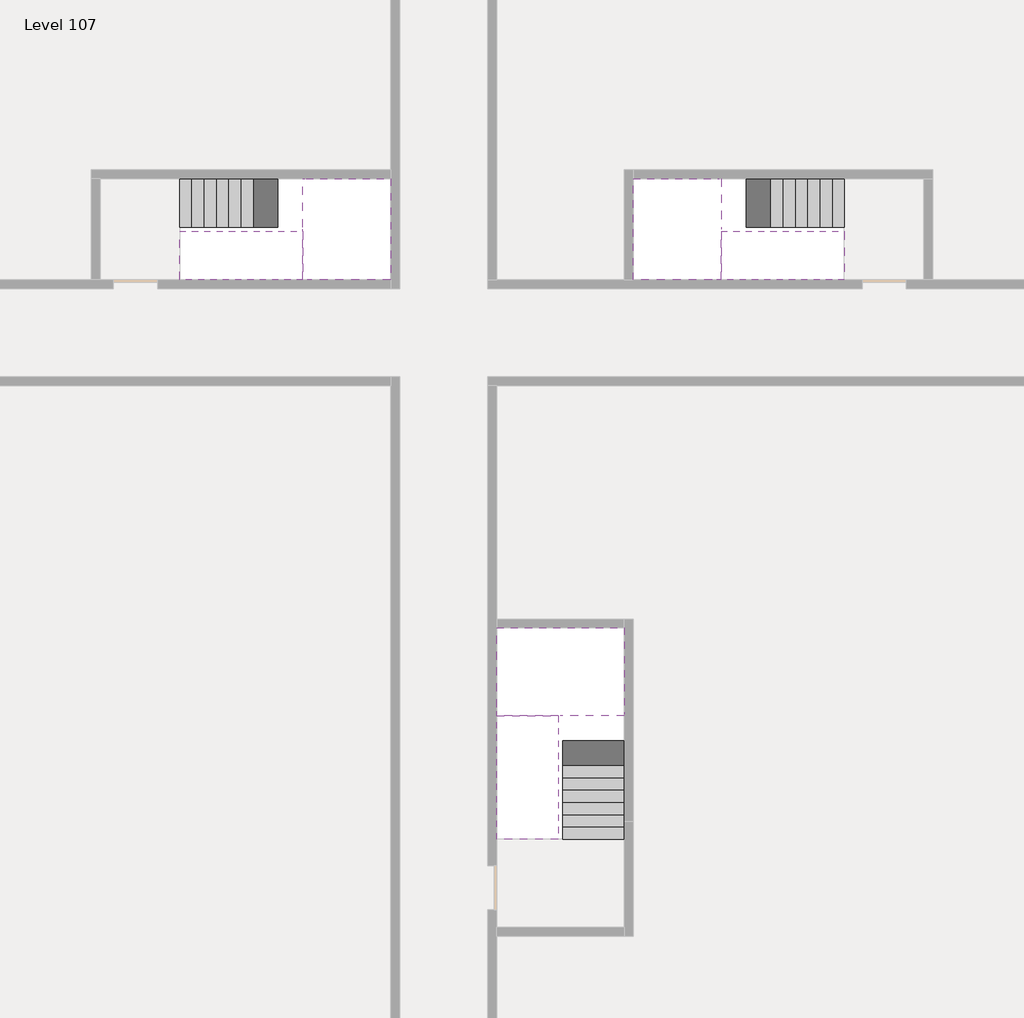
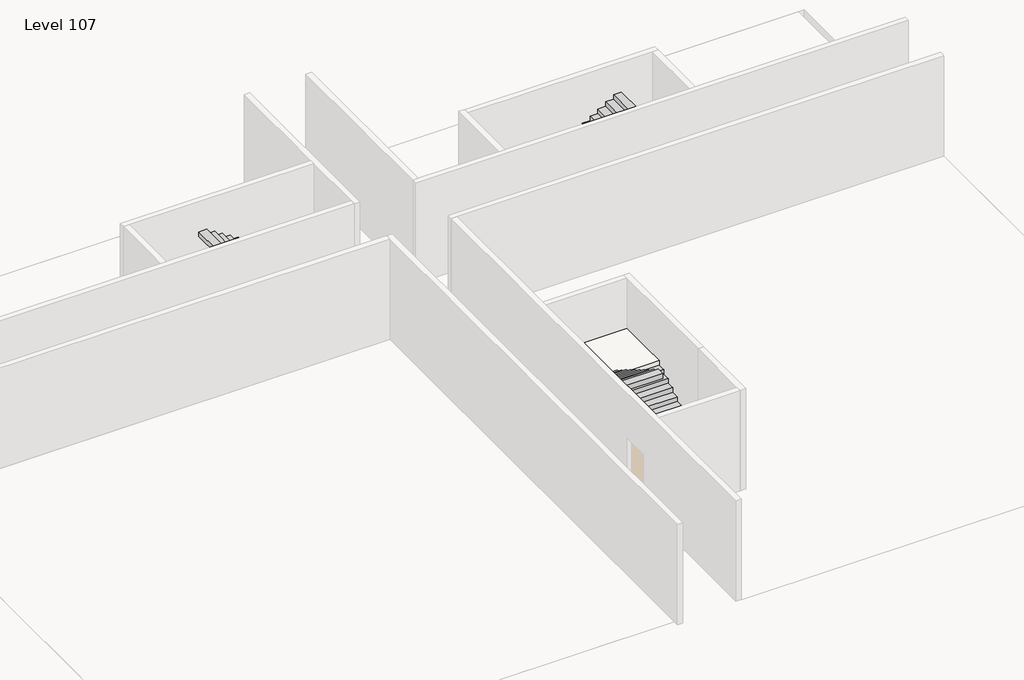
# One storey, part 2 of 2: 6 stair flights, 3 slabs.
"""IFC4 building model written with IfcOpenShell, lengths in millimetres."""

from ifc_helpers import new_model, si_unit, origin, place, context, project, spatial, faceted_brep, element, save

model = new_model("IFC4")

# Units and contexts
model_context = context("Model", 3, world=origin())
ifc_project = project(units=[si_unit("LENGTHUNIT", "METRE", prefix="MILLI")], contexts=[model_context])

# Site, building, storey
site = spatial("IfcSite", under=ifc_project)
building = spatial("IfcBuilding", under=site)
storey = spatial("IfcBuildingStorey", under=building, Name="Level 107", Elevation=402800.0)

# Slabs
placement = place(None, origin())
element("IfcSlab", 1, at=placement, inside=storey, context=model_context, shape_type="Brep", body=[
    faceted_brep([(26890.1058784, -40418.09644, 404700.0), (28290.1058784, -40418.09644, 404700.0), (28290.1058784, -40338.7100038, 404700.0), (28290.1058784, -38418.09644, 404700.0), (25390.1058784, -38418.09644, 404700.0), (25390.1058784, -40217.4828763, 404700.0), (25390.1058784, -40418.09644, 404700.0), (26790.1058784, -40418.09644, 404700.0), (26890.1058784, -40418.09644, 404400.0), (26890.1058784, -40418.09644, 404351.0278478), (28290.1058784, -40418.09644, 404351.0278478), (28290.1058784, -40418.09644, 404527.2727273), (28290.1058784, -40338.7100038, 404400.0), (28290.1058784, -38418.09644, 404400.0), (25390.1058784, -38418.09644, 404400.0), (25390.1058784, -40217.4828763, 404400.0), (25390.1058784, -40418.09644, 404523.7551205), (26790.1058784, -40418.09644, 404523.7551205), (26790.1058784, -40418.09644, 404400.0), (26790.1058784, -40217.4828763, 404400.0), (26890.1058784, -40338.7100038, 404400.0)], [[[0, 1, 2, 3, 4, 5, 6, 7]], [[1, 0, 8, 9, 10, 11]], [[1, 11, 10, 12, 13, 3, 2]], [[4, 3, 13, 14]], [[4, 14, 15, 16, 6, 5]], [[7, 6, 16, 17]], [[0, 7, 17, 18, 8]], [[18, 19, 15, 14, 13, 12, 20, 8]], [[19, 18, 17]], [[20, 12, 10, 9]], [[8, 20, 9]], [[15, 19, 17, 16]]]),
])
element("IfcSlab", 2, at=placement, inside=storey, context=model_context, shape_type="Brep", body=[
    faceted_brep([(20990.1058784, -28218.09644, 404700.0), (20990.1058784, -29318.09644, 404700.0), (20990.1058784, -29418.09644, 404700.0), (20990.1058784, -30518.09644, 404700.0), (21190.7194421, -30518.09644, 404700.0), (22990.1058784, -30518.09644, 404700.0), (22990.1058784, -28218.09644, 404700.0), (21069.4923146, -28218.09644, 404700.0), (20990.1058784, -28218.09644, 404527.2727273), (20990.1058784, -28218.09644, 404351.0278478), (20990.1058784, -29318.09644, 404351.0278478), (20990.1058784, -29318.09644, 404400.0), (20990.1058784, -29418.09644, 404400.0), (20990.1058784, -29418.09644, 404523.7551205), (20990.1058784, -30518.09644, 404523.7551205), (21190.7194421, -30518.09644, 404400.0), (22990.1058784, -30518.09644, 404400.0), (22990.1058784, -28218.09644, 404400.0), (21069.4923146, -28218.09644, 404400.0), (21190.7194421, -29418.09644, 404400.0), (21069.4923146, -29318.09644, 404400.0)], [[[0, 1, 2, 3, 4, 5, 6, 7]], [[1, 0, 8, 9, 10, 11]], [[2, 1, 11, 12, 13]], [[3, 2, 13, 14]], [[3, 14, 15, 16, 5, 4]], [[6, 5, 16, 17]], [[9, 8, 0, 7, 6, 17, 18]], [[19, 12, 11, 20, 18, 17, 16, 15]], [[12, 19, 13]], [[18, 20, 10, 9]], [[20, 11, 10]], [[19, 15, 14, 13]]]),
])
element("IfcSlab", 3, at=placement, inside=storey, context=model_context, shape_type="Brep", body=[
    faceted_brep([(30490.1058784, -29318.09644, 404700.0), (30490.1058784, -28218.09644, 404700.0), (30410.7194421, -28218.09644, 404700.0), (28490.1058784, -28218.09644, 404700.0), (28490.1058784, -30518.09644, 404700.0), (30289.4923146, -30518.09644, 404700.0), (30490.1058784, -30518.09644, 404700.0), (30490.1058784, -29418.09644, 404700.0), (30490.1058784, -29318.09644, 404400.0), (30490.1058784, -29318.09644, 404351.0278478), (30490.1058784, -28218.09644, 404351.0278478), (30490.1058784, -28218.09644, 404527.2727273), (30490.1058784, -29418.09644, 404523.7551205), (30490.1058784, -29418.09644, 404400.0), (30490.1058784, -30518.09644, 404523.7551205), (28490.1058784, -30518.09644, 404400.0), (30289.4923146, -30518.09644, 404400.0), (28490.1058784, -28218.09644, 404400.0), (30410.7194421, -28218.09644, 404400.0), (30289.4923146, -29418.09644, 404400.0), (30410.7194421, -29318.09644, 404400.0)], [[[0, 1, 2, 3, 4, 5, 6, 7]], [[1, 0, 8, 9, 10, 11]], [[0, 7, 12, 13, 8]], [[7, 6, 14, 12]], [[4, 15, 16, 14, 6, 5]], [[4, 3, 17, 15]], [[1, 11, 10, 18, 17, 3, 2]], [[13, 19, 16, 15, 17, 18, 20, 8]], [[20, 18, 10, 9]], [[8, 20, 9]], [[16, 19, 12, 14]], [[19, 13, 12]]]),
])

# Stair flights
element("IfcStairFlight", 4, at=placement, inside=storey, context=model_context, shape_type="Brep", body=[
    faceted_brep([(26890.1058784, -42938.09644, 402972.7272727), (26890.1058784, -43218.09644, 402972.7272727), (28290.1058784, -43218.09644, 402972.7272727), (28290.1058784, -42938.09644, 402972.7272727), (26890.1058784, -42938.09644, 402800.0), (26890.1058784, -43218.09644, 402800.0), (28290.1058784, -43218.09644, 402800.0), (28290.1058784, -42938.09644, 402800.0), (26890.1058784, -42658.09644, 403145.4545455), (26890.1058784, -42938.09644, 403145.4545455), (28290.1058784, -42938.09644, 403145.4545455), (28290.1058784, -42658.09644, 403145.4545455), (26890.1058784, -42658.09644, 402969.209666), (26890.1058784, -42932.3942143, 402800.0), (28290.1058784, -42932.3942143, 402800.0), (28290.1058784, -42658.09644, 402969.209666), (26890.1058784, -42378.09644, 403318.1818182), (26890.1058784, -42658.09644, 403318.1818182), (28290.1058784, -42658.09644, 403318.1818182), (28290.1058784, -42378.09644, 403318.1818182), (26890.1058784, -42378.09644, 403141.9369387), (28290.1058784, -42378.09644, 403141.9369387), (26890.1058784, -42098.09644, 403490.9090909), (26890.1058784, -42378.09644, 403490.9090909), (28290.1058784, -42378.09644, 403490.9090909), (28290.1058784, -42098.09644, 403490.9090909), (26890.1058784, -42098.09644, 403314.6642114), (28290.1058784, -42098.09644, 403314.6642114), (26890.1058784, -41818.09644, 403663.6363636), (26890.1058784, -42098.09644, 403663.6363636), (28290.1058784, -42098.09644, 403663.6363636), (28290.1058784, -41818.09644, 403663.6363636), (26890.1058784, -41818.09644, 403487.3914841), (28290.1058784, -41818.09644, 403487.3914841), (26890.1058784, -41538.09644, 403836.3636364), (26890.1058784, -41818.09644, 403836.3636364), (28290.1058784, -41818.09644, 403836.3636364), (28290.1058784, -41538.09644, 403836.3636364), (26890.1058784, -41538.09644, 403660.1187569), (28290.1058784, -41538.09644, 403660.1187569), (26890.1058784, -41258.09644, 404009.0909091), (26890.1058784, -41538.09644, 404009.0909091), (28290.1058784, -41538.09644, 404009.0909091), (28290.1058784, -41258.09644, 404009.0909091), (26890.1058784, -41258.09644, 403832.8460296), (28290.1058784, -41258.09644, 403832.8460296), (26890.1058784, -40978.09644, 404181.8181818), (26890.1058784, -41258.09644, 404181.8181818), (28290.1058784, -41258.09644, 404181.8181818), (28290.1058784, -40978.09644, 404181.8181818), (26890.1058784, -40978.09644, 404005.5733023), (28290.1058784, -40978.09644, 404005.5733023), (26890.1058784, -40698.09644, 404354.5454545), (26890.1058784, -40978.09644, 404354.5454545), (28290.1058784, -40978.09644, 404354.5454545), (28290.1058784, -40698.09644, 404354.5454545), (26890.1058784, -40698.09644, 404178.3005751), (28290.1058784, -40698.09644, 404178.3005751), (26890.1058784, -40418.09644, 404527.2727273), (26890.1058784, -40698.09644, 404527.2727273), (28290.1058784, -40698.09644, 404527.2727273), (28290.1058784, -40418.09644, 404527.2727273), (26890.1058784, -40418.09644, 404400.0), (26890.1058784, -40418.09644, 404351.0278478), (28290.1058784, -40418.09644, 404351.0278478)], [[[0, 1, 2, 3]], [[1, 0, 4, 5]], [[2, 1, 5, 6]], [[3, 2, 6, 7]], [[8, 9, 10, 11]], [[4, 0, 9, 8, 12, 13]], [[0, 3, 10, 9]], [[3, 7, 14, 15, 11, 10]], [[16, 17, 18, 19]], [[17, 16, 20, 12, 8]], [[8, 11, 18, 17]], [[19, 18, 11, 15, 21]], [[22, 23, 24, 25]], [[23, 22, 26, 20, 16]], [[16, 19, 24, 23]], [[25, 24, 19, 21, 27]], [[28, 29, 30, 31]], [[29, 28, 32, 26, 22]], [[22, 25, 30, 29]], [[31, 30, 25, 27, 33]], [[34, 35, 36, 37]], [[35, 34, 38, 32, 28]], [[28, 31, 36, 35]], [[37, 36, 31, 33, 39]], [[40, 41, 42, 43]], [[41, 40, 44, 38, 34]], [[34, 37, 42, 41]], [[43, 42, 37, 39, 45]], [[46, 47, 48, 49]], [[47, 46, 50, 44, 40]], [[40, 43, 48, 47]], [[49, 48, 43, 45, 51]], [[52, 53, 54, 55]], [[53, 52, 56, 50, 46]], [[46, 49, 54, 53]], [[55, 54, 49, 51, 57]], [[58, 59, 60, 61]], [[59, 58, 62, 63, 56, 52]], [[52, 55, 60, 59]], [[61, 60, 55, 57, 64]], [[58, 61, 64, 63, 62]], [[5, 4, 13, 14, 7, 6]], [[14, 13, 12, 20, 26, 32, 38, 44, 50, 56, 63, 64, 57, 51, 45, 39, 33, 27, 21, 15]]]),
])
element("IfcStairFlight", 5, at=placement, inside=storey, context=model_context, shape_type="Brep", body=[
    faceted_brep([(26790.1058784, -40698.09644, 404872.7272727), (26790.1058784, -40418.09644, 404872.7272727), (25390.1058784, -40418.09644, 404872.7272727), (25390.1058784, -40698.09644, 404872.7272727), (26790.1058784, -40698.09644, 404696.4823932), (26790.1058784, -40418.09644, 404523.7551205), (25390.1058784, -40418.09644, 404523.7551205), (25390.1058784, -40418.09644, 404700.0), (25390.1058784, -40698.09644, 404696.4823932), (26790.1058784, -40978.09644, 405045.4545455), (26790.1058784, -40698.09644, 405045.4545455), (25390.1058784, -40698.09644, 405045.4545455), (25390.1058784, -40978.09644, 405045.4545455), (26790.1058784, -40978.09644, 404869.209666), (25390.1058784, -40978.09644, 404869.209666), (26790.1058784, -41258.09644, 405218.1818182), (26790.1058784, -40978.09644, 405218.1818182), (25390.1058784, -40978.09644, 405218.1818182), (25390.1058784, -41258.09644, 405218.1818182), (26790.1058784, -41258.09644, 405041.9369387), (25390.1058784, -41258.09644, 405041.9369387), (26790.1058784, -41538.09644, 405390.9090909), (26790.1058784, -41258.09644, 405390.9090909), (25390.1058784, -41258.09644, 405390.9090909), (25390.1058784, -41538.09644, 405390.9090909), (26790.1058784, -41538.09644, 405214.6642114), (25390.1058784, -41538.09644, 405214.6642114), (26790.1058784, -41818.09644, 405563.6363636), (26790.1058784, -41538.09644, 405563.6363636), (25390.1058784, -41538.09644, 405563.6363636), (25390.1058784, -41818.09644, 405563.6363636), (26790.1058784, -41818.09644, 405387.3914841), (25390.1058784, -41818.09644, 405387.3914841), (26790.1058784, -42098.09644, 405736.3636364), (26790.1058784, -41818.09644, 405736.3636364), (25390.1058784, -41818.09644, 405736.3636364), (25390.1058784, -42098.09644, 405736.3636364), (26790.1058784, -42098.09644, 405560.1187569), (25390.1058784, -42098.09644, 405560.1187569), (26790.1058784, -42378.09644, 405909.0909091), (26790.1058784, -42098.09644, 405909.0909091), (25390.1058784, -42098.09644, 405909.0909091), (25390.1058784, -42378.09644, 405909.0909091), (26790.1058784, -42378.09644, 405732.8460296), (25390.1058784, -42378.09644, 405732.8460296), (26790.1058784, -42658.09644, 406081.8181818), (26790.1058784, -42378.09644, 406081.8181818), (25390.1058784, -42378.09644, 406081.8181818), (25390.1058784, -42658.09644, 406081.8181818), (26790.1058784, -42658.09644, 405905.5733023), (25390.1058784, -42658.09644, 405905.5733023), (26790.1058784, -42938.09644, 406254.5454545), (26790.1058784, -42658.09644, 406254.5454545), (25390.1058784, -42658.09644, 406254.5454545), (25390.1058784, -42938.09644, 406254.5454545), (26790.1058784, -42938.09644, 406078.3005751), (25390.1058784, -42938.09644, 406078.3005751), (26790.1058784, -43218.09644, 406427.2727273), (26790.1058784, -42938.09644, 406427.2727273), (25390.1058784, -42938.09644, 406427.2727273), (25390.1058784, -43218.09644, 406427.2727273), (26790.1058784, -43218.09644, 406251.0278478), (25390.1058784, -43218.09644, 406251.0278478)], [[[0, 1, 2, 3]], [[1, 0, 4, 5]], [[2, 1, 5, 6, 7]], [[3, 2, 7, 6, 8]], [[9, 10, 11, 12]], [[10, 9, 13, 4, 0]], [[11, 10, 0, 3]], [[12, 11, 3, 8, 14]], [[15, 16, 17, 18]], [[16, 15, 19, 13, 9]], [[17, 16, 9, 12]], [[18, 17, 12, 14, 20]], [[21, 22, 23, 24]], [[22, 21, 25, 19, 15]], [[23, 22, 15, 18]], [[24, 23, 18, 20, 26]], [[27, 28, 29, 30]], [[28, 27, 31, 25, 21]], [[29, 28, 21, 24]], [[30, 29, 24, 26, 32]], [[33, 34, 35, 36]], [[34, 33, 37, 31, 27]], [[35, 34, 27, 30]], [[36, 35, 30, 32, 38]], [[39, 40, 41, 42]], [[40, 39, 43, 37, 33]], [[41, 40, 33, 36]], [[42, 41, 36, 38, 44]], [[45, 46, 47, 48]], [[46, 45, 49, 43, 39]], [[47, 46, 39, 42]], [[48, 47, 42, 44, 50]], [[51, 52, 53, 54]], [[52, 51, 55, 49, 45]], [[53, 52, 45, 48]], [[54, 53, 48, 50, 56]], [[57, 58, 59, 60]], [[58, 57, 61, 55, 51]], [[59, 58, 51, 54]], [[60, 59, 54, 56, 62]], [[57, 60, 62, 61]], [[5, 4, 13, 19, 25, 31, 37, 43, 49, 55, 61, 62, 56, 50, 44, 38, 32, 26, 20, 14, 8, 6]]]),
])
element("IfcStairFlight", 6, at=placement, inside=storey, context=model_context, shape_type="Brep", body=[
    faceted_brep([(18470.1058784, -28218.09644, 402972.7272727), (18190.1058784, -28218.09644, 402972.7272727), (18190.1058784, -29318.09644, 402972.7272727), (18470.1058784, -29318.09644, 402972.7272727), (18470.1058784, -28218.09644, 402800.0), (18190.1058784, -28218.09644, 402800.0), (18190.1058784, -29318.09644, 402800.0), (18470.1058784, -29318.09644, 402800.0), (18750.1058784, -28218.09644, 403145.4545455), (18470.1058784, -28218.09644, 403145.4545455), (18470.1058784, -29318.09644, 403145.4545455), (18750.1058784, -29318.09644, 403145.4545455), (18750.1058784, -28218.09644, 402969.209666), (18475.8081041, -28218.09644, 402800.0), (18475.8081041, -29318.09644, 402800.0), (18750.1058784, -29318.09644, 402969.209666), (19030.1058784, -28218.09644, 403318.1818182), (18750.1058784, -28218.09644, 403318.1818182), (18750.1058784, -29318.09644, 403318.1818182), (19030.1058784, -29318.09644, 403318.1818182), (19030.1058784, -28218.09644, 403141.9369387), (19030.1058784, -29318.09644, 403141.9369387), (19310.1058784, -28218.09644, 403490.9090909), (19030.1058784, -28218.09644, 403490.9090909), (19030.1058784, -29318.09644, 403490.9090909), (19310.1058784, -29318.09644, 403490.9090909), (19310.1058784, -28218.09644, 403314.6642114), (19310.1058784, -29318.09644, 403314.6642114), (19590.1058784, -28218.09644, 403663.6363636), (19310.1058784, -28218.09644, 403663.6363636), (19310.1058784, -29318.09644, 403663.6363636), (19590.1058784, -29318.09644, 403663.6363636), (19590.1058784, -28218.09644, 403487.3914841), (19590.1058784, -29318.09644, 403487.3914841), (19870.1058784, -28218.09644, 403836.3636364), (19590.1058784, -28218.09644, 403836.3636364), (19590.1058784, -29318.09644, 403836.3636364), (19870.1058784, -29318.09644, 403836.3636364), (19870.1058784, -28218.09644, 403660.1187569), (19870.1058784, -29318.09644, 403660.1187569), (20150.1058784, -28218.09644, 404009.0909091), (19870.1058784, -28218.09644, 404009.0909091), (19870.1058784, -29318.09644, 404009.0909091), (20150.1058784, -29318.09644, 404009.0909091), (20150.1058784, -28218.09644, 403832.8460296), (20150.1058784, -29318.09644, 403832.8460296), (20430.1058784, -28218.09644, 404181.8181818), (20150.1058784, -28218.09644, 404181.8181818), (20150.1058784, -29318.09644, 404181.8181818), (20430.1058784, -29318.09644, 404181.8181818), (20430.1058784, -28218.09644, 404005.5733023), (20430.1058784, -29318.09644, 404005.5733023), (20710.1058784, -28218.09644, 404354.5454545), (20430.1058784, -28218.09644, 404354.5454545), (20430.1058784, -29318.09644, 404354.5454545), (20710.1058784, -29318.09644, 404354.5454545), (20710.1058784, -28218.09644, 404178.3005751), (20710.1058784, -29318.09644, 404178.3005751), (20990.1058784, -28218.09644, 404527.2727273), (20710.1058784, -28218.09644, 404527.2727273), (20710.1058784, -29318.09644, 404527.2727273), (20990.1058784, -29318.09644, 404527.2727273), (20990.1058784, -28218.09644, 404351.0278478), (20990.1058784, -29318.09644, 404351.0278478), (20990.1058784, -29318.09644, 404400.0)], [[[0, 1, 2, 3]], [[1, 0, 4, 5]], [[2, 1, 5, 6]], [[3, 2, 6, 7]], [[8, 9, 10, 11]], [[4, 0, 9, 8, 12, 13]], [[0, 3, 10, 9]], [[3, 7, 14, 15, 11, 10]], [[16, 17, 18, 19]], [[17, 16, 20, 12, 8]], [[8, 11, 18, 17]], [[19, 18, 11, 15, 21]], [[22, 23, 24, 25]], [[23, 22, 26, 20, 16]], [[16, 19, 24, 23]], [[25, 24, 19, 21, 27]], [[28, 29, 30, 31]], [[29, 28, 32, 26, 22]], [[22, 25, 30, 29]], [[31, 30, 25, 27, 33]], [[34, 35, 36, 37]], [[35, 34, 38, 32, 28]], [[28, 31, 36, 35]], [[37, 36, 31, 33, 39]], [[40, 41, 42, 43]], [[41, 40, 44, 38, 34]], [[34, 37, 42, 41]], [[43, 42, 37, 39, 45]], [[46, 47, 48, 49]], [[47, 46, 50, 44, 40]], [[40, 43, 48, 47]], [[49, 48, 43, 45, 51]], [[52, 53, 54, 55]], [[53, 52, 56, 50, 46]], [[46, 49, 54, 53]], [[55, 54, 49, 51, 57]], [[58, 59, 60, 61]], [[59, 58, 62, 56, 52]], [[52, 55, 60, 59]], [[61, 60, 55, 57, 63, 64]], [[58, 61, 64, 63, 62]], [[5, 4, 13, 14, 7, 6]], [[14, 13, 12, 20, 26, 32, 38, 44, 50, 56, 62, 63, 57, 51, 45, 39, 33, 27, 21, 15]]]),
])
element("IfcStairFlight", 7, at=placement, inside=storey, context=model_context, shape_type="Brep", body=[
    faceted_brep([(20710.1058784, -30518.09644, 404872.7272727), (20990.1058784, -30518.09644, 404872.7272727), (20990.1058784, -29418.09644, 404872.7272727), (20710.1058784, -29418.09644, 404872.7272727), (20710.1058784, -30518.09644, 404696.4823932), (20990.1058784, -30518.09644, 404523.7551205), (20990.1058784, -30518.09644, 404700.0), (20990.1058784, -29418.09644, 404523.7551205), (20710.1058784, -29418.09644, 404696.4823932), (20430.1058784, -30518.09644, 405045.4545455), (20710.1058784, -30518.09644, 405045.4545455), (20710.1058784, -29418.09644, 405045.4545455), (20430.1058784, -29418.09644, 405045.4545455), (20430.1058784, -30518.09644, 404869.209666), (20430.1058784, -29418.09644, 404869.209666), (20150.1058784, -30518.09644, 405218.1818182), (20430.1058784, -30518.09644, 405218.1818182), (20430.1058784, -29418.09644, 405218.1818182), (20150.1058784, -29418.09644, 405218.1818182), (20150.1058784, -30518.09644, 405041.9369387), (20150.1058784, -29418.09644, 405041.9369387), (19870.1058784, -30518.09644, 405390.9090909), (20150.1058784, -30518.09644, 405390.9090909), (20150.1058784, -29418.09644, 405390.9090909), (19870.1058784, -29418.09644, 405390.9090909), (19870.1058784, -30518.09644, 405214.6642114), (19870.1058784, -29418.09644, 405214.6642114), (19590.1058784, -30518.09644, 405563.6363636), (19870.1058784, -30518.09644, 405563.6363636), (19870.1058784, -29418.09644, 405563.6363636), (19590.1058784, -29418.09644, 405563.6363636), (19590.1058784, -30518.09644, 405387.3914841), (19590.1058784, -29418.09644, 405387.3914841), (19310.1058784, -30518.09644, 405736.3636364), (19590.1058784, -30518.09644, 405736.3636364), (19590.1058784, -29418.09644, 405736.3636364), (19310.1058784, -29418.09644, 405736.3636364), (19310.1058784, -30518.09644, 405560.1187569), (19310.1058784, -29418.09644, 405560.1187569), (19030.1058784, -30518.09644, 405909.0909091), (19310.1058784, -30518.09644, 405909.0909091), (19310.1058784, -29418.09644, 405909.0909091), (19030.1058784, -29418.09644, 405909.0909091), (19030.1058784, -30518.09644, 405732.8460296), (19030.1058784, -29418.09644, 405732.8460296), (18750.1058784, -30518.09644, 406081.8181818), (19030.1058784, -30518.09644, 406081.8181818), (19030.1058784, -29418.09644, 406081.8181818), (18750.1058784, -29418.09644, 406081.8181818), (18750.1058784, -30518.09644, 405905.5733023), (18750.1058784, -29418.09644, 405905.5733023), (18470.1058784, -30518.09644, 406254.5454545), (18750.1058784, -30518.09644, 406254.5454545), (18750.1058784, -29418.09644, 406254.5454545), (18470.1058784, -29418.09644, 406254.5454545), (18470.1058784, -30518.09644, 406078.3005751), (18470.1058784, -29418.09644, 406078.3005751), (18190.1058784, -30518.09644, 406427.2727273), (18470.1058784, -30518.09644, 406427.2727273), (18470.1058784, -29418.09644, 406427.2727273), (18190.1058784, -29418.09644, 406427.2727273), (18190.1058784, -30518.09644, 406251.0278478), (18190.1058784, -29418.09644, 406251.0278478)], [[[0, 1, 2, 3]], [[1, 0, 4, 5, 6]], [[2, 1, 6, 5, 7]], [[3, 2, 7, 8]], [[9, 10, 11, 12]], [[10, 9, 13, 4, 0]], [[11, 10, 0, 3]], [[12, 11, 3, 8, 14]], [[15, 16, 17, 18]], [[16, 15, 19, 13, 9]], [[17, 16, 9, 12]], [[18, 17, 12, 14, 20]], [[21, 22, 23, 24]], [[22, 21, 25, 19, 15]], [[23, 22, 15, 18]], [[24, 23, 18, 20, 26]], [[27, 28, 29, 30]], [[28, 27, 31, 25, 21]], [[29, 28, 21, 24]], [[30, 29, 24, 26, 32]], [[33, 34, 35, 36]], [[34, 33, 37, 31, 27]], [[35, 34, 27, 30]], [[36, 35, 30, 32, 38]], [[39, 40, 41, 42]], [[40, 39, 43, 37, 33]], [[41, 40, 33, 36]], [[42, 41, 36, 38, 44]], [[45, 46, 47, 48]], [[46, 45, 49, 43, 39]], [[47, 46, 39, 42]], [[48, 47, 42, 44, 50]], [[51, 52, 53, 54]], [[52, 51, 55, 49, 45]], [[53, 52, 45, 48]], [[54, 53, 48, 50, 56]], [[57, 58, 59, 60]], [[58, 57, 61, 55, 51]], [[59, 58, 51, 54]], [[60, 59, 54, 56, 62]], [[57, 60, 62, 61]], [[5, 4, 13, 19, 25, 31, 37, 43, 49, 55, 61, 62, 56, 50, 44, 38, 32, 26, 20, 14, 8, 7]]]),
])
element("IfcStairFlight", 8, at=placement, inside=storey, context=model_context, shape_type="Brep", body=[
    faceted_brep([(33010.1058784, -29318.09644, 402972.7272727), (33290.1058784, -29318.09644, 402972.7272727), (33290.1058784, -28218.09644, 402972.7272727), (33010.1058784, -28218.09644, 402972.7272727), (33290.1058784, -28218.09644, 402800.0), (33010.1058784, -28218.09644, 402800.0), (33290.1058784, -29318.09644, 402800.0), (33010.1058784, -29318.09644, 402800.0), (32730.1058784, -29318.09644, 403145.4545455), (33010.1058784, -29318.09644, 403145.4545455), (33010.1058784, -28218.09644, 403145.4545455), (32730.1058784, -28218.09644, 403145.4545455), (33004.4036527, -28218.09644, 402800.0), (32730.1058784, -28218.09644, 402969.209666), (32730.1058784, -29318.09644, 402969.209666), (33004.4036527, -29318.09644, 402800.0), (32450.1058784, -29318.09644, 403318.1818182), (32730.1058784, -29318.09644, 403318.1818182), (32730.1058784, -28218.09644, 403318.1818182), (32450.1058784, -28218.09644, 403318.1818182), (32450.1058784, -28218.09644, 403141.9369387), (32450.1058784, -29318.09644, 403141.9369387), (32170.1058784, -29318.09644, 403490.9090909), (32450.1058784, -29318.09644, 403490.9090909), (32450.1058784, -28218.09644, 403490.9090909), (32170.1058784, -28218.09644, 403490.9090909), (32170.1058784, -28218.09644, 403314.6642114), (32170.1058784, -29318.09644, 403314.6642114), (31890.1058784, -29318.09644, 403663.6363636), (32170.1058784, -29318.09644, 403663.6363636), (32170.1058784, -28218.09644, 403663.6363636), (31890.1058784, -28218.09644, 403663.6363636), (31890.1058784, -28218.09644, 403487.3914841), (31890.1058784, -29318.09644, 403487.3914841), (31610.1058784, -29318.09644, 403836.3636364), (31890.1058784, -29318.09644, 403836.3636364), (31890.1058784, -28218.09644, 403836.3636364), (31610.1058784, -28218.09644, 403836.3636364), (31610.1058784, -28218.09644, 403660.1187569), (31610.1058784, -29318.09644, 403660.1187569), (31330.1058784, -29318.09644, 404009.0909091), (31610.1058784, -29318.09644, 404009.0909091), (31610.1058784, -28218.09644, 404009.0909091), (31330.1058784, -28218.09644, 404009.0909091), (31330.1058784, -28218.09644, 403832.8460296), (31330.1058784, -29318.09644, 403832.8460296), (31050.1058784, -29318.09644, 404181.8181818), (31330.1058784, -29318.09644, 404181.8181818), (31330.1058784, -28218.09644, 404181.8181818), (31050.1058784, -28218.09644, 404181.8181818), (31050.1058784, -28218.09644, 404005.5733023), (31050.1058784, -29318.09644, 404005.5733023), (30770.1058784, -29318.09644, 404354.5454545), (31050.1058784, -29318.09644, 404354.5454545), (31050.1058784, -28218.09644, 404354.5454545), (30770.1058784, -28218.09644, 404354.5454545), (30770.1058784, -28218.09644, 404178.3005751), (30770.1058784, -29318.09644, 404178.3005751), (30490.1058784, -29318.09644, 404527.2727273), (30770.1058784, -29318.09644, 404527.2727273), (30770.1058784, -28218.09644, 404527.2727273), (30490.1058784, -28218.09644, 404527.2727273), (30490.1058784, -28218.09644, 404351.0278478), (30490.1058784, -29318.09644, 404400.0), (30490.1058784, -29318.09644, 404351.0278478)], [[[0, 1, 2, 3]], [[3, 2, 4, 5]], [[2, 1, 6, 4]], [[1, 0, 7, 6]], [[8, 9, 10, 11]], [[3, 5, 12, 13, 11, 10]], [[0, 3, 10, 9]], [[7, 0, 9, 8, 14, 15]], [[16, 17, 18, 19]], [[19, 18, 11, 13, 20]], [[8, 11, 18, 17]], [[17, 16, 21, 14, 8]], [[22, 23, 24, 25]], [[25, 24, 19, 20, 26]], [[16, 19, 24, 23]], [[23, 22, 27, 21, 16]], [[28, 29, 30, 31]], [[31, 30, 25, 26, 32]], [[22, 25, 30, 29]], [[29, 28, 33, 27, 22]], [[34, 35, 36, 37]], [[37, 36, 31, 32, 38]], [[28, 31, 36, 35]], [[35, 34, 39, 33, 28]], [[40, 41, 42, 43]], [[43, 42, 37, 38, 44]], [[34, 37, 42, 41]], [[41, 40, 45, 39, 34]], [[46, 47, 48, 49]], [[49, 48, 43, 44, 50]], [[40, 43, 48, 47]], [[47, 46, 51, 45, 40]], [[52, 53, 54, 55]], [[55, 54, 49, 50, 56]], [[46, 49, 54, 53]], [[53, 52, 57, 51, 46]], [[58, 59, 60, 61]], [[61, 60, 55, 56, 62]], [[52, 55, 60, 59]], [[59, 58, 63, 64, 57, 52]], [[58, 61, 62, 64, 63]], [[6, 7, 15, 12, 5, 4]], [[12, 15, 14, 21, 27, 33, 39, 45, 51, 57, 64, 62, 56, 50, 44, 38, 32, 26, 20, 13]]]),
])
element("IfcStairFlight", 9, at=placement, inside=storey, context=model_context, shape_type="Brep", body=[
    faceted_brep([(30770.1058784, -29418.09644, 404872.7272727), (30490.1058784, -29418.09644, 404872.7272727), (30490.1058784, -30518.09644, 404872.7272727), (30770.1058784, -30518.09644, 404872.7272727), (30490.1058784, -30518.09644, 404700.0), (30490.1058784, -30518.09644, 404523.7551205), (30770.1058784, -30518.09644, 404696.4823932), (30490.1058784, -29418.09644, 404523.7551205), (30770.1058784, -29418.09644, 404696.4823932), (31050.1058784, -29418.09644, 405045.4545455), (30770.1058784, -29418.09644, 405045.4545455), (30770.1058784, -30518.09644, 405045.4545455), (31050.1058784, -30518.09644, 405045.4545455), (31050.1058784, -30518.09644, 404869.209666), (31050.1058784, -29418.09644, 404869.209666), (31330.1058784, -29418.09644, 405218.1818182), (31050.1058784, -29418.09644, 405218.1818182), (31050.1058784, -30518.09644, 405218.1818182), (31330.1058784, -30518.09644, 405218.1818182), (31330.1058784, -30518.09644, 405041.9369387), (31330.1058784, -29418.09644, 405041.9369387), (31610.1058784, -29418.09644, 405390.9090909), (31330.1058784, -29418.09644, 405390.9090909), (31330.1058784, -30518.09644, 405390.9090909), (31610.1058784, -30518.09644, 405390.9090909), (31610.1058784, -30518.09644, 405214.6642114), (31610.1058784, -29418.09644, 405214.6642114), (31890.1058784, -29418.09644, 405563.6363636), (31610.1058784, -29418.09644, 405563.6363636), (31610.1058784, -30518.09644, 405563.6363636), (31890.1058784, -30518.09644, 405563.6363636), (31890.1058784, -30518.09644, 405387.3914841), (31890.1058784, -29418.09644, 405387.3914841), (32170.1058784, -29418.09644, 405736.3636364), (31890.1058784, -29418.09644, 405736.3636364), (31890.1058784, -30518.09644, 405736.3636364), (32170.1058784, -30518.09644, 405736.3636364), (32170.1058784, -30518.09644, 405560.1187569), (32170.1058784, -29418.09644, 405560.1187569), (32450.1058784, -29418.09644, 405909.0909091), (32170.1058784, -29418.09644, 405909.0909091), (32170.1058784, -30518.09644, 405909.0909091), (32450.1058784, -30518.09644, 405909.0909091), (32450.1058784, -30518.09644, 405732.8460296), (32450.1058784, -29418.09644, 405732.8460296), (32730.1058784, -29418.09644, 406081.8181818), (32450.1058784, -29418.09644, 406081.8181818), (32450.1058784, -30518.09644, 406081.8181818), (32730.1058784, -30518.09644, 406081.8181818), (32730.1058784, -30518.09644, 405905.5733023), (32730.1058784, -29418.09644, 405905.5733023), (33010.1058784, -29418.09644, 406254.5454545), (32730.1058784, -29418.09644, 406254.5454545), (32730.1058784, -30518.09644, 406254.5454545), (33010.1058784, -30518.09644, 406254.5454545), (33010.1058784, -30518.09644, 406078.3005751), (33010.1058784, -29418.09644, 406078.3005751), (33290.1058784, -29418.09644, 406427.2727273), (33010.1058784, -29418.09644, 406427.2727273), (33010.1058784, -30518.09644, 406427.2727273), (33290.1058784, -30518.09644, 406427.2727273), (33290.1058784, -30518.09644, 406251.0278478), (33290.1058784, -29418.09644, 406251.0278478)], [[[0, 1, 2, 3]], [[3, 2, 4, 5, 6]], [[2, 1, 7, 5, 4]], [[1, 0, 8, 7]], [[9, 10, 11, 12]], [[12, 11, 3, 6, 13]], [[11, 10, 0, 3]], [[10, 9, 14, 8, 0]], [[15, 16, 17, 18]], [[18, 17, 12, 13, 19]], [[17, 16, 9, 12]], [[16, 15, 20, 14, 9]], [[21, 22, 23, 24]], [[24, 23, 18, 19, 25]], [[23, 22, 15, 18]], [[22, 21, 26, 20, 15]], [[27, 28, 29, 30]], [[30, 29, 24, 25, 31]], [[29, 28, 21, 24]], [[28, 27, 32, 26, 21]], [[33, 34, 35, 36]], [[36, 35, 30, 31, 37]], [[35, 34, 27, 30]], [[34, 33, 38, 32, 27]], [[39, 40, 41, 42]], [[42, 41, 36, 37, 43]], [[41, 40, 33, 36]], [[40, 39, 44, 38, 33]], [[45, 46, 47, 48]], [[48, 47, 42, 43, 49]], [[47, 46, 39, 42]], [[46, 45, 50, 44, 39]], [[51, 52, 53, 54]], [[54, 53, 48, 49, 55]], [[53, 52, 45, 48]], [[52, 51, 56, 50, 45]], [[57, 58, 59, 60]], [[60, 59, 54, 55, 61]], [[59, 58, 51, 54]], [[58, 57, 62, 56, 51]], [[57, 60, 61, 62]], [[7, 8, 14, 20, 26, 32, 38, 44, 50, 56, 62, 61, 55, 49, 43, 37, 31, 25, 19, 13, 6, 5]]]),
])

save(model, "model.ifc")
